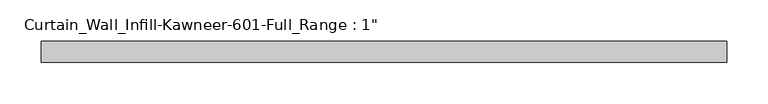
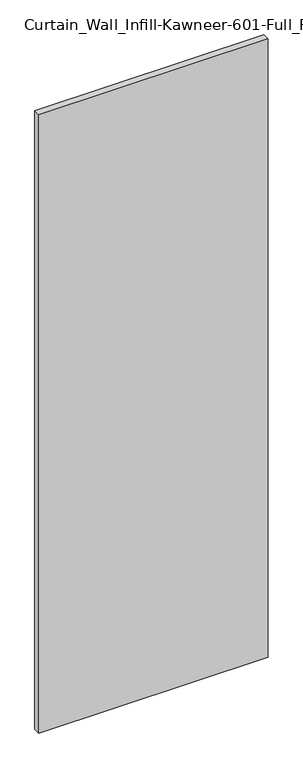
"""IFC4 building model written with IfcOpenShell, lengths in millimetres: plate geometry."""

import ifcopenshell
import ifcopenshell.guid

model = None  # the IFC model being written
_history = None  # IfcOwnerHistory: only IFC2X3 demands one
_inside = {}  # id of a spatial element -> (the spatial element, [elements in it])
_under = {}  # id of a project, library or spatial element -> (it, [spatial elements below it])
_declared = {}  # id of a project -> (the project, [libraries it declares])
_typed = {}  # id of a type object -> (the type object, [elements of that type])
_made_of = {}  # id of a material, layer set ... -> (it, [elements and type objects made of it])


def new_model(schema):
    """Start an empty IFC model of exactly this schema.

    Asked for "IFC4X3", IfcOpenShell would pick the latest addendum, in which some entities
    have other attributes; the version numbers below select the first issue.
    IFC2X3 requires an IfcOwnerHistory on every rooted entity: one is made here for all.
    """
    global model, _history
    if schema == "IFC4X3":
        model = ifcopenshell.file(schema_version=(4, 3, 0, 0))
    else:
        model = ifcopenshell.file(schema=schema)
    _inside.clear()
    _under.clear()
    _declared.clear()
    _typed.clear()
    _made_of.clear()
    _history = None
    if model.schema == "IFC2X3":
        org = make("IfcOrganization", Name="unknown")
        user = make(
            "IfcPersonAndOrganization",
            ThePerson=make("IfcPerson", FamilyName="unknown"),
            TheOrganization=org,
        )
        app = make(
            "IfcApplication",
            ApplicationDeveloper=org,
            Version="unknown",
            ApplicationFullName="unknown",
            ApplicationIdentifier="unknown",
        )
        _history = make(
            "IfcOwnerHistory",
            OwningUser=user,
            OwningApplication=app,
            ChangeAction="ADDED",
            CreationDate=0,
        )
    return model


def make(cls, **values):
    """One entity of the class cls with the attributes given. An attribute that is None is left unset."""
    return model.create_entity(
        cls, **{name: value for name, value in values.items() if value is not None}
    )


def rooted(cls, **values):
    """An entity with a GlobalId (a new one), such as an element, a storey or a relation."""
    return make(cls, GlobalId=ifcopenshell.guid.new(), OwnerHistory=_history, **values)


def si_unit(unit_type, name, prefix=None):
    """IfcSIUnit, for example si_unit("LENGTHUNIT", "METRE", prefix="MILLI")."""
    return make("IfcSIUnit", UnitType=unit_type, Prefix=prefix, Name=name)


def assignment(units):
    """IfcUnitAssignment: the units of a project."""
    return None if units is None else make("IfcUnitAssignment", Units=units)


def point(xyz):
    """IfcCartesianPoint."""
    return None if xyz is None else make("IfcCartesianPoint", Coordinates=xyz)


def direction(xyz):
    """IfcDirection."""
    return None if xyz is None else make("IfcDirection", DirectionRatios=xyz)


def frame(location, z_axis=None, x_axis=None):
    """IfcAxis2Placement3D, a coordinate frame: its origin and axes. An axis left out is left unset."""
    return make(
        "IfcAxis2Placement3D",
        Location=point(location),
        Axis=direction(z_axis),
        RefDirection=direction(x_axis),
    )


def origin():
    """The frame at (0, 0, 0) with its axes left unset."""
    return frame((0.0, 0.0, 0.0))


def origin_with_axes():
    """The frame at (0, 0, 0) with the z axis (0, 0, 1) and the x axis (1, 0, 0) written out."""
    return frame((0.0, 0.0, 0.0), z_axis=(0.0, 0.0, 1.0), x_axis=(1.0, 0.0, 0.0))


def place(relative_to, where):
    """IfcLocalPlacement: puts the frame where relative to a parent placement (None: the world)."""
    return make(
        "IfcLocalPlacement", PlacementRelTo=relative_to, RelativePlacement=where
    )


def context(
    kind, dimensions, precision=None, world=None, true_north=None, identifier=None
):
    """IfcGeometricRepresentationContext, for example the 3D "Model" context."""
    return make(
        "IfcGeometricRepresentationContext",
        ContextIdentifier=identifier,
        ContextType=kind,
        CoordinateSpaceDimension=dimensions,
        Precision=precision,
        WorldCoordinateSystem=world,
        TrueNorth=true_north,
    )


def project(units=None, contexts=None):
    """IfcProject with its units and contexts."""
    return rooted(
        "IfcProject",
        Name="project",
        RepresentationContexts=contexts,
        UnitsInContext=assignment(units),
    )


def spatial(cls, under=None, at=None, **own):
    """A site, building, storey or space (cls), placed at a placement, below another one or the project."""
    s = rooted(cls, ObjectPlacement=at, **own)
    if under is not None:
        _under.setdefault(under.id(), (under, []))[1].append(s)
    return s


def polyline(points):
    """IfcPolyline through the points."""
    return make("IfcPolyline", Points=[point(p) for p in points])


def outline(outer, holes=None, kind="AREA"):
    """IfcArbitraryClosedProfileDef: a profile drawn as a closed curve; with holes, ...WithVoids."""
    if holes is None:
        return make("IfcArbitraryClosedProfileDef", ProfileType=kind, OuterCurve=outer)
    return make(
        "IfcArbitraryProfileDefWithVoids",
        ProfileType=kind,
        OuterCurve=outer,
        InnerCurves=holes,
    )


def extrude(swept, where, along, depth):
    """IfcExtrudedAreaSolid: the profile swept, set in the frame where, extruded along a direction by depth."""
    return make(
        "IfcExtrudedAreaSolid",
        SweptArea=swept,
        Position=where,
        ExtrudedDirection=direction(along),
        Depth=depth,
    )


def shape(context_of_items, identifier, shape_type, items):
    """IfcShapeRepresentation: the items that make up one representation, for example the "Body"."""
    return make(
        "IfcShapeRepresentation",
        ContextOfItems=context_of_items,
        RepresentationIdentifier=identifier,
        RepresentationType=shape_type,
        Items=items,
    )


def source(mapping_origin, context_of_items, identifier, shape_type, items):
    """IfcRepresentationMap: a shape defined once, which mapped items show again and again."""
    return make(
        "IfcRepresentationMap",
        MappingOrigin=mapping_origin,
        MappedRepresentation=shape(context_of_items, identifier, shape_type, items),
    )


def transform(
    local_origin,
    x_axis=None,
    y_axis=None,
    z_axis=None,
    scale=None,
    scale2=None,
    scale3=None,
    uniform=True,
):
    """IfcCartesianTransformationOperator3D, or its non-uniform kind. x_axis, y_axis, z_axis: its Axis1, 2, 3."""
    if uniform:
        return make(
            "IfcCartesianTransformationOperator3D",
            Axis1=direction(x_axis),
            Axis2=direction(y_axis),
            LocalOrigin=point(local_origin),
            Scale=scale,
            Axis3=direction(z_axis),
        )
    return make(
        "IfcCartesianTransformationOperator3DnonUniform",
        Axis1=direction(x_axis),
        Axis2=direction(y_axis),
        LocalOrigin=point(local_origin),
        Scale=scale,
        Axis3=direction(z_axis),
        Scale2=scale2,
        Scale3=scale3,
    )


def mapped(mapping_source, mapping_target):
    """IfcMappedItem: shows the shape of a source again, moved by a transform."""
    return make(
        "IfcMappedItem", MappingSource=mapping_source, MappingTarget=mapping_target
    )


def made_of(thing, what):
    """Note that an element or type object is made of a material, layer set ...; save() writes the relation."""
    if what is not None:
        _made_of.setdefault(what.id(), (what, []))[1].append(thing)
    return thing


def element(
    cls,
    number,
    at=None,
    inside=None,
    cuts=None,
    type_object=None,
    material=None,
    context=None,
    identifier="Body",
    shape_type=None,
    held_by="IfcProductDefinitionShape",
    body=None,
    shapes=None,
    **own,
):
    """One element of the class cls, such as IfcWall. Its Tag is "e" and its number.

    at: its placement. inside: the storey or other place that contains it. cuts: it is an
    opening in that element (IfcRelVoidsElement). A single representation is given by context,
    identifier, shape_type and body (its items); several are given by shapes. held_by: the class
    of the entity that holds the representations. save() writes the other relations.
    """
    e = rooted(cls, Tag="e%d" % number, ObjectPlacement=at, **own)
    if body is not None:
        shapes = [shape(context, identifier, shape_type, body)]
    if shapes is not None:
        e.Representation = make(held_by, Representations=shapes)
    if inside is not None:
        _inside.setdefault(inside.id(), (inside, []))[1].append(e)
    if cuts is not None:
        rooted(
            "IfcRelVoidsElement", RelatingBuildingElement=cuts, RelatedOpeningElement=e
        )
    if type_object is not None:
        _typed.setdefault(type_object.id(), (type_object, []))[1].append(e)
    return made_of(e, material)


def aggregate(whole, parts):
    """IfcRelAggregates: a whole, such as a stair, and the parts it consists of."""
    return rooted("IfcRelAggregates", RelatingObject=whole, RelatedObjects=parts)


def save(model, path):
    """Write the relations noted so far, then the file.

    IfcRelAggregates (storeys below a building ...), IfcRelContainedInSpatialStructure (elements
    in a storey), IfcRelDefinesByType, IfcRelAssociatesMaterial and IfcRelDeclares: one each for
    every whole, place, type object, material and project.
    """
    for whole, parts in _under.values():
        aggregate(whole, parts)
    for where, things in _inside.values():
        rooted(
            "IfcRelContainedInSpatialStructure",
            RelatedElements=things,
            RelatingStructure=where,
        )
    for kind, things in _typed.values():
        rooted("IfcRelDefinesByType", RelatedObjects=things, RelatingType=kind)
    for what, things in _made_of.values():
        rooted("IfcRelAssociatesMaterial", RelatedObjects=things, RelatingMaterial=what)
    for by, libraries in _declared.values():
        rooted("IfcRelDeclares", RelatingContext=by, RelatedDefinitions=libraries)
    model.write(path)


def plate_2fc6dbd6(model_context):
    return source(origin(), model_context, "Body", "SweptSolid", [
        extrude(outline(polyline([(-415.925, -12.7), (-415.925, 12.7), (415.925, 12.7), (415.925, -12.7), (-415.925, -12.7)])), origin_with_axes(), (0.0, 0.0, 1.0), 2368.55),
    ])


if __name__ == "__main__":
    model = new_model("IFC4")
    model_context = context("Model", 3, world=origin())
    ifc_project = project(units=[si_unit("LENGTHUNIT", "METRE", prefix="MILLI")], contexts=[model_context])
    site = spatial("IfcSite", under=ifc_project)
    building = spatial("IfcBuilding", under=site)
    placement = place(None, origin())
    plate_shape = plate_2fc6dbd6(model_context)
    element("IfcPlate", 1, ObjectType="Curtain_Wall_Infill-Kawneer-601-Full_Range : 1\"", at=placement, inside=building, context=model_context, shape_type="MappedRepresentation", body=[
        mapped(plate_shape, transform((0.0, 0.0, 0.0), x_axis=(1.0, 0.0, 0.0), y_axis=(0.0, 1.0, 0.0), z_axis=(0.0, 0.0, 1.0))),
    ])
    save(model, "model.ifc")
